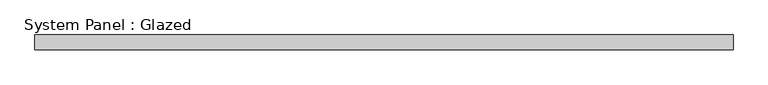
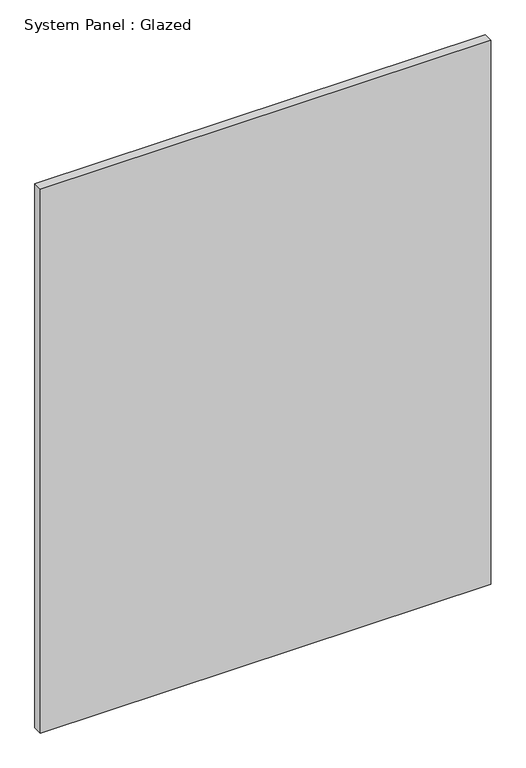
"""IFC4 building model written with IfcOpenShell, lengths in millimetres: plate geometry, System Panel : Glazed."""

from ifc_helpers import new_model, si_unit, origin, origin_with_axes, place, context, project, spatial, polyline, outline, extrude, source, transform, mapped, element, save


def system_panel_glazed_efc390ee(model_context):
    return source(origin(), model_context, "Body", "SweptSolid", [
        extrude(outline(polyline([(587.5, -49.5), (-587.5, -49.5), (-587.5, -24.5), (587.5, -24.5), (587.5, -49.5)])), origin_with_axes(), (0.0, 0.0, 1.0), 1500.0),
    ])


if __name__ == "__main__":
    model = new_model("IFC4")
    model_context = context("Model", 3, world=origin())
    ifc_project = project(units=[si_unit("LENGTHUNIT", "METRE", prefix="MILLI")], contexts=[model_context])
    site = spatial("IfcSite", under=ifc_project)
    building = spatial("IfcBuilding", under=site)
    placement = place(None, origin())
    system_panel_glazed_shape = system_panel_glazed_efc390ee(model_context)
    element("IfcPlate", 1, ObjectType="System Panel : Glazed", at=placement, inside=building, context=model_context, shape_type="MappedRepresentation", body=[
        mapped(system_panel_glazed_shape, transform((0.0, 0.0, 0.0), x_axis=(1.0, 0.0, 0.0), y_axis=(0.0, 1.0, 0.0), z_axis=(0.0, 0.0, 1.0))),
    ])
    save(model, "model.ifc")
